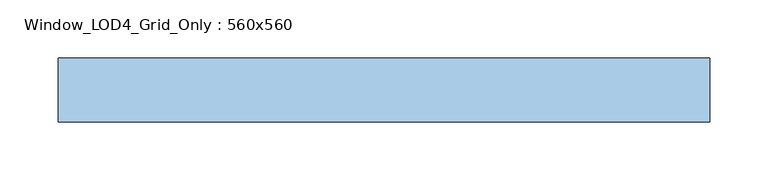
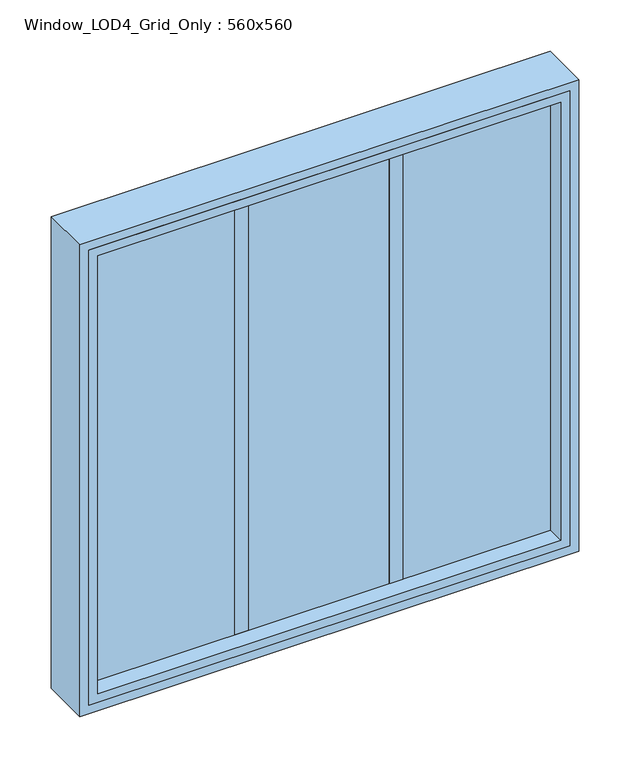
"""IFC4 building model written with IfcOpenShell, lengths in millimetres: window geometry, Window_LOD4_Grid_Only : 560x560."""

from ifc_helpers import new_model, si_unit, frame, origin, place, context, project, spatial, polyline, outline, extrude, source, transform, mapped, element, save


def window_lod4_grid_only_560x560_266e1f81(model_context):
    return source(origin(), model_context, "Body", "SweptSolid", [
        extrude(outline(polyline([(94.1666704, -2.5), (94.1666704, -17.5), (79.1666704, -17.5), (79.1666704, -2.5), (94.1666704, -2.5)])), frame((0.0, 0.0, 820.0), z_axis=(0.0, 0.0, 1.0), x_axis=(1.0, 0.0, 0.0)), (0.0, 0.0, 1.0), 520.0000224),
        extrude(outline(polyline([(-79.1666704, -2.5), (-79.1666704, -17.5), (-94.1666704, -17.5), (-94.1666704, -2.5), (-79.1666704, -2.5)])), frame((0.0, 0.0, 820.0), z_axis=(0.0, 0.0, 1.0), x_axis=(1.0, 0.0, 0.0)), (0.0, 0.0, 1.0), 520.0000224),
        extrude(outline(polyline([(260.0000112, -17.5), (-260.0000112, -17.5), (-260.0000112, -2.5), (260.0000112, -2.5), (260.0000112, -17.5)])), frame((0.0, 0.0, 820.0), z_axis=(0.0, 0.0, 1.0), x_axis=(1.0, 0.0, 0.0)), (0.0, 0.0, 1.0), 520.0000224),
        extrude(outline(polyline([(1350.0000224, -270.0000112), (810.0, -270.0000112), (810.0, 270.0000112), (1350.0000224, 270.0000112), (1350.0000224, -270.0000112)]), holes=[polyline([(1340.0000224, -260.0000112), (1340.0000224, 260.0000112), (820.0, 260.0000112), (820.0, -260.0000112), (1340.0000224, -260.0000112)])]), frame((0.0, -37.5, 0.0), z_axis=(0.0, 1.0, 0.0), x_axis=(0.0, 0.0, 1.0)), (0.0, 0.0, 1.0), 55.0),
        extrude(outline(polyline([(1360.0000224, -280.0000112), (800.0, -280.0000112), (800.0, 280.0000112), (1360.0000224, 280.0000112), (1360.0000224, -280.0000112)]), holes=[polyline([(1350.0000224, -270.0000112), (1350.0000224, 270.0000112), (810.0, 270.0000112), (810.0, -270.0000112), (1350.0000224, -270.0000112)])]), frame((0.0, -37.5, 0.0), z_axis=(0.0, 1.0, 0.0), x_axis=(0.0, 0.0, 1.0)), (0.0, 0.0, 1.0), 55.0),
    ])


if __name__ == "__main__":
    model = new_model("IFC4")
    model_context = context("Model", 3, world=origin())
    ifc_project = project(units=[si_unit("LENGTHUNIT", "METRE", prefix="MILLI")], contexts=[model_context])
    site = spatial("IfcSite", under=ifc_project)
    building = spatial("IfcBuilding", under=site)
    placement = place(None, origin())
    window_lod4_grid_only_560x560_shape = window_lod4_grid_only_560x560_266e1f81(model_context)
    element("IfcWindow", 1, ObjectType="Window_LOD4_Grid_Only : 560x560", at=placement, inside=building, context=model_context, shape_type="MappedRepresentation", body=[
        mapped(window_lod4_grid_only_560x560_shape, transform((0.0, 0.0, 0.0), x_axis=(1.0, 0.0, 0.0), y_axis=(0.0, 1.0, 0.0), z_axis=(0.0, 0.0, 1.0))),
    ])
    save(model, "model.ifc")
